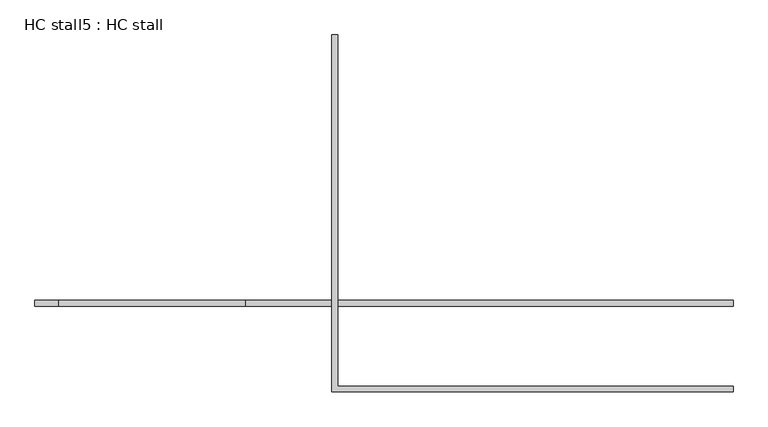
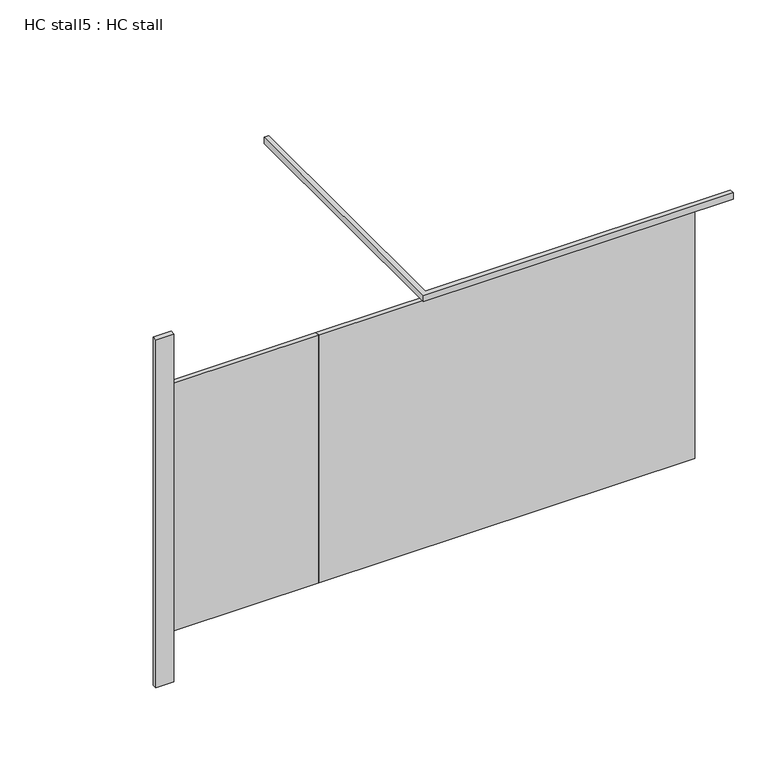
"""IFC4 building model written with IfcOpenShell, lengths in millimetres: proxy geometry, HC stall5 : HC stall."""

from ifc_helpers import new_model, si_unit, frame, origin, origin_with_axes, place, context, project, spatial, polyline, outline, extrude, source, transform, mapped, element, save


def hc_stall5_hc_stall_e27b7a58(model_context):
    return source(origin(), model_context, "Body", "SweptSolid", [
        extrude(outline(polyline([(267563.3879676, -260122.2080223), (265447.2504676, -260122.2080223), (265447.2504676, -260096.8080223), (267563.3879676, -260096.8080223), (267563.3879676, -260122.2080223)])), frame((0.0, 0.0, 304.8), z_axis=(0.0, 0.0, 1.0), x_axis=(1.0, 0.0, 0.0)), (0.0, 0.0, 1.0), 1473.2),
        extrude(outline(polyline([(264634.4504676, -260096.8080223), (264634.4504676, -260122.2080223), (264532.8504676, -260122.2080223), (264532.8504676, -260096.8080223), (264634.4504676, -260096.8080223)])), origin_with_axes(), (0.0, 0.0, 1.0), 2070.1),
        extrude(outline(polyline([(265847.3004676, -260468.2830223), (267563.3879676, -260468.2830223), (267563.3879676, -260493.6830223), (265821.9004676, -260493.6830223), (265821.9004676, -258944.2830223), (265847.3004676, -258944.2830223), (265847.3004676, -260468.2830223)])), frame((0.0, 0.0, 2070.1), z_axis=(0.0, 0.0, 1.0), x_axis=(1.0, 0.0, 0.0)), (0.0, 0.0, 1.0), 38.1),
        extrude(outline(polyline([(265447.2504676, -260096.8080223), (265447.2504676, -260122.2080223), (264634.4504676, -260122.2080223), (264634.4504676, -260096.8080223), (265447.2504676, -260096.8080223)])), frame((0.0, 0.0, 304.8), z_axis=(0.0, 0.0, 1.0), x_axis=(1.0, 0.0, 0.0)), (0.0, 0.0, 1.0), 1473.2),
    ])


if __name__ == "__main__":
    model = new_model("IFC4")
    model_context = context("Model", 3, world=origin())
    ifc_project = project(units=[si_unit("LENGTHUNIT", "METRE", prefix="MILLI")], contexts=[model_context])
    site = spatial("IfcSite", under=ifc_project)
    building = spatial("IfcBuilding", under=site)
    placement = place(None, origin())
    hc_stall5_hc_stall_shape = hc_stall5_hc_stall_e27b7a58(model_context)
    element("IfcBuildingElementProxy", 1, Name="HC stall5 : HC stall", ObjectType="HC stall5 : HC stall", at=placement, inside=building, context=model_context, shape_type="MappedRepresentation", body=[
        mapped(hc_stall5_hc_stall_shape, transform((0.0, 0.0, 0.0), x_axis=(1.0, 0.0, 0.0), y_axis=(0.0, 1.0, 0.0), z_axis=(0.0, 0.0, 1.0))),
    ])
    save(model, "model.ifc")
